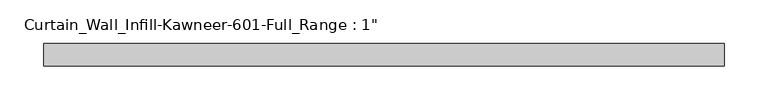
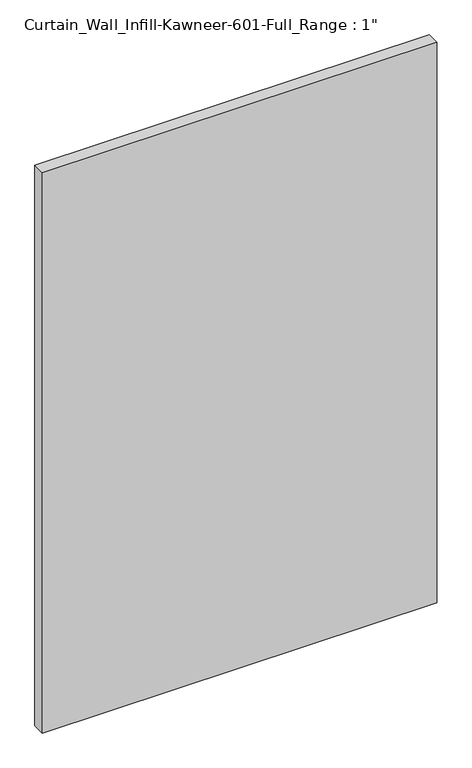
"""IFC4 building model written with IfcOpenShell, lengths in millimetres: plate geometry."""

from ifc_helpers import new_model, si_unit, origin, origin_with_axes, place, context, project, spatial, polyline, outline, extrude, source, transform, mapped, element, save


def plate_d961d889(model_context):
    return source(origin(), model_context, "Body", "SweptSolid", [
        extrude(outline(polyline([(-386.876925, -12.7), (-386.876925, 12.7), (386.876925, 12.7), (386.876925, -12.7), (-386.876925, -12.7)])), origin_with_axes(), (0.0, 0.0, 1.0), 1162.05),
    ])


if __name__ == "__main__":
    model = new_model("IFC4")
    model_context = context("Model", 3, world=origin())
    ifc_project = project(units=[si_unit("LENGTHUNIT", "METRE", prefix="MILLI")], contexts=[model_context])
    site = spatial("IfcSite", under=ifc_project)
    building = spatial("IfcBuilding", under=site)
    placement = place(None, origin())
    plate_shape = plate_d961d889(model_context)
    element("IfcPlate", 1, ObjectType="Curtain_Wall_Infill-Kawneer-601-Full_Range : 1\"", at=placement, inside=building, context=model_context, shape_type="MappedRepresentation", body=[
        mapped(plate_shape, transform((0.0, 0.0, 0.0), x_axis=(1.0, 0.0, 0.0), y_axis=(0.0, 1.0, 0.0), z_axis=(0.0, 0.0, 1.0))),
    ])
    save(model, "model.ifc")
